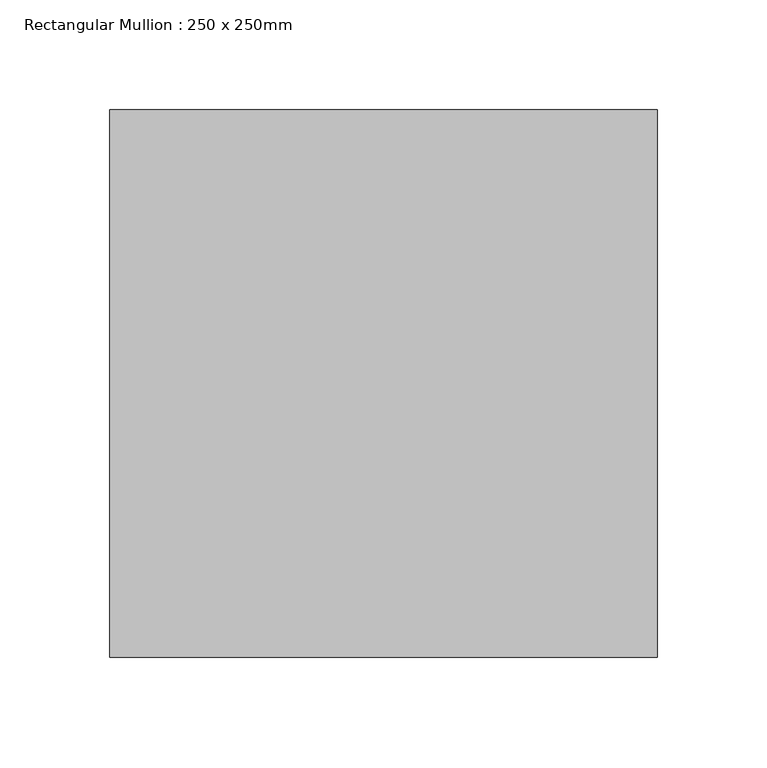
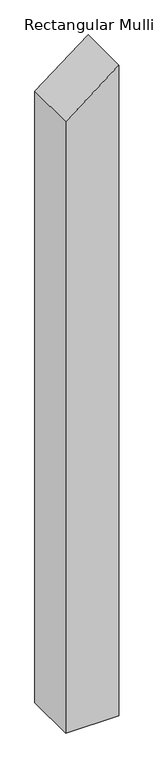
"""IFC4 building model written with IfcOpenShell, lengths in millimetres: member geometry, Rectangular Mullion : 250 x 250mm."""

import ifcopenshell
import ifcopenshell.guid

model = None  # the IFC model being written
_history = None  # IfcOwnerHistory: only IFC2X3 demands one
_inside = {}  # id of a spatial element -> (the spatial element, [elements in it])
_under = {}  # id of a project, library or spatial element -> (it, [spatial elements below it])
_declared = {}  # id of a project -> (the project, [libraries it declares])
_typed = {}  # id of a type object -> (the type object, [elements of that type])
_made_of = {}  # id of a material, layer set ... -> (it, [elements and type objects made of it])


def new_model(schema):
    """Start an empty IFC model of exactly this schema.

    Asked for "IFC4X3", IfcOpenShell would pick the latest addendum, in which some entities
    have other attributes; the version numbers below select the first issue.
    IFC2X3 requires an IfcOwnerHistory on every rooted entity: one is made here for all.
    """
    global model, _history
    if schema == "IFC4X3":
        model = ifcopenshell.file(schema_version=(4, 3, 0, 0))
    else:
        model = ifcopenshell.file(schema=schema)
    _inside.clear()
    _under.clear()
    _declared.clear()
    _typed.clear()
    _made_of.clear()
    _history = None
    if model.schema == "IFC2X3":
        org = make("IfcOrganization", Name="unknown")
        user = make(
            "IfcPersonAndOrganization",
            ThePerson=make("IfcPerson", FamilyName="unknown"),
            TheOrganization=org,
        )
        app = make(
            "IfcApplication",
            ApplicationDeveloper=org,
            Version="unknown",
            ApplicationFullName="unknown",
            ApplicationIdentifier="unknown",
        )
        _history = make(
            "IfcOwnerHistory",
            OwningUser=user,
            OwningApplication=app,
            ChangeAction="ADDED",
            CreationDate=0,
        )
    return model


def make(cls, **values):
    """One entity of the class cls with the attributes given. An attribute that is None is left unset."""
    return model.create_entity(
        cls, **{name: value for name, value in values.items() if value is not None}
    )


def rooted(cls, **values):
    """An entity with a GlobalId (a new one), such as an element, a storey or a relation."""
    return make(cls, GlobalId=ifcopenshell.guid.new(), OwnerHistory=_history, **values)


def si_unit(unit_type, name, prefix=None):
    """IfcSIUnit, for example si_unit("LENGTHUNIT", "METRE", prefix="MILLI")."""
    return make("IfcSIUnit", UnitType=unit_type, Prefix=prefix, Name=name)


def assignment(units):
    """IfcUnitAssignment: the units of a project."""
    return None if units is None else make("IfcUnitAssignment", Units=units)


def point(xyz):
    """IfcCartesianPoint."""
    return None if xyz is None else make("IfcCartesianPoint", Coordinates=xyz)


def direction(xyz):
    """IfcDirection."""
    return None if xyz is None else make("IfcDirection", DirectionRatios=xyz)


def frame(location, z_axis=None, x_axis=None):
    """IfcAxis2Placement3D, a coordinate frame: its origin and axes. An axis left out is left unset."""
    return make(
        "IfcAxis2Placement3D",
        Location=point(location),
        Axis=direction(z_axis),
        RefDirection=direction(x_axis),
    )


def origin():
    """The frame at (0, 0, 0) with its axes left unset."""
    return frame((0.0, 0.0, 0.0))


def place(relative_to, where):
    """IfcLocalPlacement: puts the frame where relative to a parent placement (None: the world)."""
    return make(
        "IfcLocalPlacement", PlacementRelTo=relative_to, RelativePlacement=where
    )


def context(
    kind, dimensions, precision=None, world=None, true_north=None, identifier=None
):
    """IfcGeometricRepresentationContext, for example the 3D "Model" context."""
    return make(
        "IfcGeometricRepresentationContext",
        ContextIdentifier=identifier,
        ContextType=kind,
        CoordinateSpaceDimension=dimensions,
        Precision=precision,
        WorldCoordinateSystem=world,
        TrueNorth=true_north,
    )


def project(units=None, contexts=None):
    """IfcProject with its units and contexts."""
    return rooted(
        "IfcProject",
        Name="project",
        RepresentationContexts=contexts,
        UnitsInContext=assignment(units),
    )


def spatial(cls, under=None, at=None, **own):
    """A site, building, storey or space (cls), placed at a placement, below another one or the project."""
    s = rooted(cls, ObjectPlacement=at, **own)
    if under is not None:
        _under.setdefault(under.id(), (under, []))[1].append(s)
    return s


def polyline(points):
    """IfcPolyline through the points."""
    return make("IfcPolyline", Points=[point(p) for p in points])


def outline(outer, holes=None, kind="AREA"):
    """IfcArbitraryClosedProfileDef: a profile drawn as a closed curve; with holes, ...WithVoids."""
    if holes is None:
        return make("IfcArbitraryClosedProfileDef", ProfileType=kind, OuterCurve=outer)
    return make(
        "IfcArbitraryProfileDefWithVoids",
        ProfileType=kind,
        OuterCurve=outer,
        InnerCurves=holes,
    )


def extrude(swept, where, along, depth):
    """IfcExtrudedAreaSolid: the profile swept, set in the frame where, extruded along a direction by depth."""
    return make(
        "IfcExtrudedAreaSolid",
        SweptArea=swept,
        Position=where,
        ExtrudedDirection=direction(along),
        Depth=depth,
    )


def shape(context_of_items, identifier, shape_type, items):
    """IfcShapeRepresentation: the items that make up one representation, for example the "Body"."""
    return make(
        "IfcShapeRepresentation",
        ContextOfItems=context_of_items,
        RepresentationIdentifier=identifier,
        RepresentationType=shape_type,
        Items=items,
    )


def source(mapping_origin, context_of_items, identifier, shape_type, items):
    """IfcRepresentationMap: a shape defined once, which mapped items show again and again."""
    return make(
        "IfcRepresentationMap",
        MappingOrigin=mapping_origin,
        MappedRepresentation=shape(context_of_items, identifier, shape_type, items),
    )


def transform(
    local_origin,
    x_axis=None,
    y_axis=None,
    z_axis=None,
    scale=None,
    scale2=None,
    scale3=None,
    uniform=True,
):
    """IfcCartesianTransformationOperator3D, or its non-uniform kind. x_axis, y_axis, z_axis: its Axis1, 2, 3."""
    if uniform:
        return make(
            "IfcCartesianTransformationOperator3D",
            Axis1=direction(x_axis),
            Axis2=direction(y_axis),
            LocalOrigin=point(local_origin),
            Scale=scale,
            Axis3=direction(z_axis),
        )
    return make(
        "IfcCartesianTransformationOperator3DnonUniform",
        Axis1=direction(x_axis),
        Axis2=direction(y_axis),
        LocalOrigin=point(local_origin),
        Scale=scale,
        Axis3=direction(z_axis),
        Scale2=scale2,
        Scale3=scale3,
    )


def mapped(mapping_source, mapping_target):
    """IfcMappedItem: shows the shape of a source again, moved by a transform."""
    return make(
        "IfcMappedItem", MappingSource=mapping_source, MappingTarget=mapping_target
    )


def made_of(thing, what):
    """Note that an element or type object is made of a material, layer set ...; save() writes the relation."""
    if what is not None:
        _made_of.setdefault(what.id(), (what, []))[1].append(thing)
    return thing


def element(
    cls,
    number,
    at=None,
    inside=None,
    cuts=None,
    type_object=None,
    material=None,
    context=None,
    identifier="Body",
    shape_type=None,
    held_by="IfcProductDefinitionShape",
    body=None,
    shapes=None,
    **own,
):
    """One element of the class cls, such as IfcWall. Its Tag is "e" and its number.

    at: its placement. inside: the storey or other place that contains it. cuts: it is an
    opening in that element (IfcRelVoidsElement). A single representation is given by context,
    identifier, shape_type and body (its items); several are given by shapes. held_by: the class
    of the entity that holds the representations. save() writes the other relations.
    """
    e = rooted(cls, Tag="e%d" % number, ObjectPlacement=at, **own)
    if body is not None:
        shapes = [shape(context, identifier, shape_type, body)]
    if shapes is not None:
        e.Representation = make(held_by, Representations=shapes)
    if inside is not None:
        _inside.setdefault(inside.id(), (inside, []))[1].append(e)
    if cuts is not None:
        rooted(
            "IfcRelVoidsElement", RelatingBuildingElement=cuts, RelatedOpeningElement=e
        )
    if type_object is not None:
        _typed.setdefault(type_object.id(), (type_object, []))[1].append(e)
    return made_of(e, material)


def aggregate(whole, parts):
    """IfcRelAggregates: a whole, such as a stair, and the parts it consists of."""
    return rooted("IfcRelAggregates", RelatingObject=whole, RelatedObjects=parts)


def save(model, path):
    """Write the relations noted so far, then the file.

    IfcRelAggregates (storeys below a building ...), IfcRelContainedInSpatialStructure (elements
    in a storey), IfcRelDefinesByType, IfcRelAssociatesMaterial and IfcRelDeclares: one each for
    every whole, place, type object, material and project.
    """
    for whole, parts in _under.values():
        aggregate(whole, parts)
    for where, things in _inside.values():
        rooted(
            "IfcRelContainedInSpatialStructure",
            RelatedElements=things,
            RelatingStructure=where,
        )
    for kind, things in _typed.values():
        rooted("IfcRelDefinesByType", RelatedObjects=things, RelatingType=kind)
    for what, things in _made_of.values():
        rooted("IfcRelAssociatesMaterial", RelatedObjects=things, RelatingMaterial=what)
    for by, libraries in _declared.values():
        rooted("IfcRelDeclares", RelatingContext=by, RelatedDefinitions=libraries)
    model.write(path)


def rectangular_mullion_250_x_250mm_fe486e15(model_context):
    return source(origin(), model_context, "Body", "SweptSolid", [
        extrude(outline(polyline([(129.4095226, 0.0), (-62.4222244, -250.0), (-3105.8285412, -250.0), (-3105.8285412, 0.0), (129.4095226, 0.0)])), frame((0.0, -125.0, 0.0), z_axis=(0.0, 1.0, 0.0), x_axis=(0.0, 0.0, 1.0)), (0.0, 0.0, 1.0), 250.0),
    ])


if __name__ == "__main__":
    model = new_model("IFC4")
    model_context = context("Model", 3, world=origin())
    ifc_project = project(units=[si_unit("LENGTHUNIT", "METRE", prefix="MILLI")], contexts=[model_context])
    site = spatial("IfcSite", under=ifc_project)
    building = spatial("IfcBuilding", under=site)
    placement = place(None, origin())
    rectangular_mullion_250_x_250mm_shape = rectangular_mullion_250_x_250mm_fe486e15(model_context)
    element("IfcMember", 1, ObjectType="Rectangular Mullion : 250 x 250mm", at=placement, inside=building, context=model_context, shape_type="MappedRepresentation", body=[
        mapped(rectangular_mullion_250_x_250mm_shape, transform((0.0, 0.0, 0.0), x_axis=(1.0, 0.0, 0.0), y_axis=(0.0, 1.0, 0.0), z_axis=(0.0, 0.0, 1.0))),
    ])
    save(model, "model.ifc")
